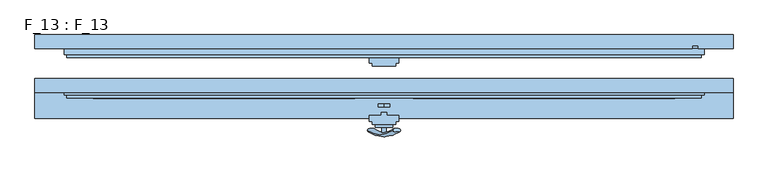
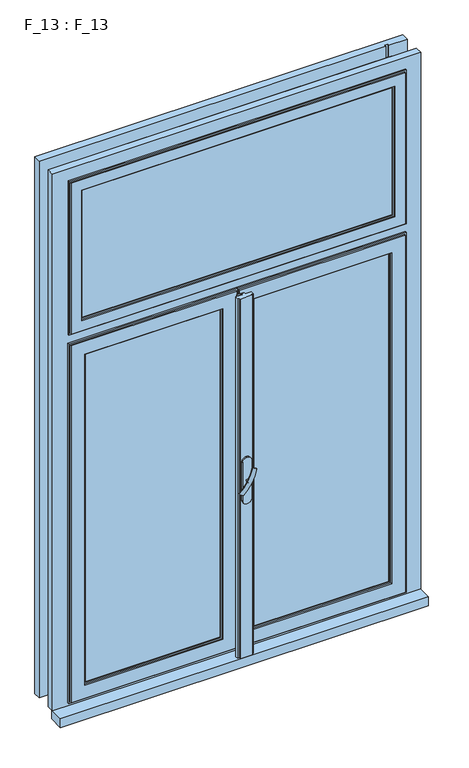
"""IFC4 building model written with IfcOpenShell, lengths in millimetres: window geometry, F_13 : F_13."""

from ifc_helpers import new_model, si_unit, point, frame, frame_2d, origin, place, context, project, spatial, polyline, circle_curve, ellipse_curve, trimmed, segment, composite_curve, outline, extrude, faceted_brep, source, transform, mapped, element, save
from ifc_brep_helpers import plane_surface, revolved_surface, advanced_brep


def f_13_f_13_1b7bb409(model_context):
    return source(origin(), model_context, "Body", "SolidModel", [
        advanced_brep(
        [(-28.5497704, -90.2287724, 1428.0503471), (-14.693364, -90.2287724, 1420.0503471), (14.693364, -90.2287724, 1502.9496529), (28.5497704, -90.2287724, 1494.9496529)],
        [
            (0, 1, ellipse_curve(frame((-21.6215672, -90.2287724, 1424.0503471), z_axis=(-0.46984631039295827, 0.3420201433256777, -0.8137976813493676), x_axis=(0.8660254037844349, 0.0, -0.5000000000000066)), 8.0, 3.5)),
            (1, 0, ellipse_curve(frame((-21.6215672, -90.2287724, 1424.0503471), z_axis=(-0.46984631039295827, 0.3420201433256777, -0.8137976813493676), x_axis=(0.8660254037844349, 0.0, -0.5000000000000066)), 8.0, 3.5)),
            (2, 3, ellipse_curve(frame((21.6215672, -90.2287724, 1498.9496529), z_axis=(0.46984631039296154, 0.3420201433256599, 0.8137976813493732), x_axis=(0.8660254037844355, 0.0, -0.5000000000000056)), 8.0, 3.5)),
            (3, 2, ellipse_curve(frame((21.6215672, -90.2287724, 1498.9496529), z_axis=(0.46984631039296154, 0.3420201433256599, 0.8137976813493732), x_axis=(0.8660254037844355, 0.0, -0.5000000000000056)), 8.0, 3.5)),
            (3, 1, circle_curve(frame((6.9282032, 28.580763, 1457.5), z_axis=(0.8660254037844353, 0.0, -0.500000000000006), x_axis=(-0.1710100716628409, -0.9396926207859051, -0.29619813272603046)), 126.4344667)),
            (0, 2, circle_curve(frame((-6.9282032, 28.580763, 1465.5), z_axis=(-0.8660254037844353, 0.0, 0.500000000000006), x_axis=(-0.1710100716628409, -0.9396926207859051, -0.29619813272603046)), 126.4344667)),
        ],
        [
            plane_surface(frame((40.0926994, -87.5471681, 1389.5466142), z_axis=(-0.4698463103929582, 0.34202014332567776, -0.8137976813493677), x_axis=(-0.8660254037844352, 0.0, 0.500000000000006))),
            plane_surface(frame((82.3598097, -87.5471681, 1462.7553967), z_axis=(0.4698463103929615, 0.34202014332565983, 0.8137976813493734), x_axis=(-0.8660254037844352, 0.0, 0.500000000000006))),
            revolved_surface(trimmed(ellipse_curve(frame((-21.6215672, -90.2287724, 1424.0503471), z_axis=(-0.46984631039295827, 0.3420201433256777, -0.8137976813493676), x_axis=(0.8660254037844349, 0.0, -0.5000000000000066)), 8.0, 3.5), [point((-28.5497704, -90.2287724, 1428.0503471))], [point((-14.693364, -90.2287724, 1420.0503471))], True, "CARTESIAN"), (61.2262546, 28.580763, 1426.1510055), (-0.8660254037844353, 0.0, 0.500000000000006)),
            revolved_surface(trimmed(ellipse_curve(frame((-21.6215672, -90.2287724, 1424.0503471), z_axis=(-0.46984631039295827, 0.3420201433256777, -0.8137976813493676), x_axis=(0.8660254037844349, 0.0, -0.5000000000000066)), 8.0, 3.5), [point((-14.693364, -90.2287724, 1420.0503471))], [point((-28.5497704, -90.2287724, 1428.0503471))], True, "CARTESIAN"), (61.2262546, 28.580763, 1426.1510055), (-0.8660254037844353, 0.0, 0.500000000000006)),
        ],
        [
            (0, [[1, 2]]),
            (1, [[3, 4]]),
            (2, [[5, -1, 6, -4]]),
            (3, [[-6, -2, -5, -3]]),
        ],
    ),
        extrude(outline(composite_curve([segment(trimmed(circle_curve(frame_2d((1461.5, 0.0)), 3.5), [point((1461.5, -3.5))], [point((1461.5, 3.5))], False, "CARTESIAN"), True, "CONTINUOUS"), segment(trimmed(circle_curve(frame_2d((1461.5, 0.0)), 3.5), [point((1461.5, 3.5))], [point((1461.5, -3.5))], False, "CARTESIAN"), True, "CONTINUOUS")], self_intersect=False)), frame((0.0, -95.0, 0.0), z_axis=(0.0, 1.0, 0.0), x_axis=(0.0, 0.0, 1.0)), (0.0, 0.0, 1.0), 10.0),
        extrude(outline(composite_curve([segment(polyline([(1525.8020109, -15.0), (1395.8020109, -15.0)]), True, "CONTINUOUS"), segment(trimmed(circle_curve(frame_2d((1395.8020109, 0.0)), 15.0), [point((1395.8020109, -15.0))], [point((1395.8020109, 15.0))], False, "CARTESIAN"), True, "CONTINUOUS"), segment(polyline([(1395.8020109, 15.0), (1525.8020109, 15.0)]), True, "CONTINUOUS"), segment(trimmed(circle_curve(frame_2d((1525.8020109, 0.0)), 15.0), [point((1525.8020109, 15.0))], [point((1525.8020109, -15.0))], False, "CARTESIAN"), True, "CONTINUOUS")], self_intersect=False)), frame((0.0, -85.0, 0.0), z_axis=(0.0, 1.0, 0.0), x_axis=(0.0, 0.0, 1.0)), (0.0, 0.0, 1.0), 5.0),
        faceted_brep([(-0.5, 55.0, 2090.0), (-10.0, 55.0, 2090.0), (-10.0, 50.0, 2090.0), (-550.0, 50.0, 2090.0), (-550.0, 40.0, 2090.0), (0.0, 40.0, 2090.0), (0.0, 50.0, 2090.0), (-0.5, 50.0, 2090.0), (-0.5, 55.0, 850.0), (-0.5, 50.0, 850.0), (0.0, 50.0, 850.0), (0.0, 40.0, 850.0), (-550.0, 40.0, 850.0), (-550.0, 50.0, 850.0), (-10.0, 50.0, 850.0), (-10.0, 55.0, 850.0), (-10.0, 55.0, 860.0), (-540.0, 55.0, 860.0), (-540.0, 55.0, 2080.0), (-10.0, 55.0, 2080.0), (-50.0, 55.0, 900.0), (-50.0, 55.0, 2040.0), (-500.0, 55.0, 2040.0), (-500.0, 55.0, 900.0), (-10.0, 50.0, 2080.0), (-10.0, 50.0, 860.0), (-50.0, 50.0, 2040.0), (-50.0, 50.0, 900.0), (-55.0, 40.0, 2035.0), (-55.0, 50.0, 2035.0), (-55.0, 50.0, 905.0), (-55.0, 40.0, 905.0), (-50.0, 35.0, 2040.0), (-50.0, 40.0, 2040.0), (-50.0, 40.0, 900.0), (-50.0, 35.0, 900.0), (-5.0, 40.0, 2085.0), (-5.0, 35.0, 2085.0), (-5.0, 35.0, 855.0), (-5.0, 40.0, 855.0), (-500.0, 50.0, 900.0), (-495.0, 50.0, 905.0), (-495.0, 40.0, 905.0), (-500.0, 40.0, 900.0), (-500.0, 35.0, 900.0), (-545.0, 35.0, 855.0), (-545.0, 40.0, 855.0), (-540.0, 50.0, 860.0), (-500.0, 50.0, 2040.0), (-495.0, 50.0, 2035.0), (-495.0, 40.0, 2035.0), (-500.0, 40.0, 2040.0), (-500.0, 35.0, 2040.0), (-545.0, 35.0, 2085.0), (-545.0, 40.0, 2085.0), (-540.0, 50.0, 2080.0)], [[[0, 1, 2, 3, 4, 5, 6, 7]], [[8, 9, 10, 11, 12, 13, 14, 15]], [[1, 0, 8, 15, 16, 17, 18, 19], [20, 21, 22, 23]], [[2, 1, 19, 24]], [[15, 14, 25, 16]], [[0, 7, 9, 8]], [[26, 21, 20, 27]], [[28, 29, 30, 31]], [[32, 33, 34, 35]], [[36, 37, 38, 39]], [[6, 5, 11, 10]], [[27, 20, 23, 40]], [[31, 30, 41, 42]], [[35, 34, 43, 44]], [[39, 38, 45, 46]], [[25, 47, 17, 16]], [[40, 23, 22, 48]], [[42, 41, 49, 50]], [[44, 43, 51, 52]], [[46, 45, 53, 54]], [[13, 12, 4, 3]], [[17, 47, 55, 18]], [[21, 26, 48, 22]], [[26, 27, 40, 48], [30, 29, 49, 41]], [[29, 28, 50, 49]], [[34, 33, 51, 43], [28, 31, 42, 50]], [[33, 32, 52, 51]], [[38, 37, 53, 45], [32, 35, 44, 52]], [[37, 36, 54, 53]], [[11, 5, 4, 12], [36, 39, 46, 54]], [[6, 10, 9, 7]], [[47, 25, 14, 13, 3, 2, 24, 55]], [[18, 55, 24, 19]]]),
        faceted_brep([(0.5, 55.0, 2090.0), (0.5, 50.0, 2090.0), (0.0, 50.0, 2090.0), (0.0, 40.0, 2090.0), (550.0, 40.0, 2090.0), (550.0, 50.0, 2090.0), (10.0, 50.0, 2090.0), (10.0, 55.0, 2090.0), (0.5, 55.0, 850.0), (10.0, 55.0, 850.0), (10.0, 50.0, 850.0), (550.0, 50.0, 850.0), (550.0, 40.0, 850.0), (0.0, 40.0, 850.0), (0.0, 50.0, 850.0), (0.5, 50.0, 850.0), (10.0, 55.0, 2080.0), (540.0, 55.0, 2080.0), (540.0, 55.0, 860.0), (10.0, 55.0, 860.0), (50.0, 55.0, 2040.0), (50.0, 55.0, 900.0), (500.0, 55.0, 900.0), (500.0, 55.0, 2040.0), (10.0, 50.0, 2080.0), (10.0, 50.0, 860.0), (50.0, 50.0, 2040.0), (50.0, 50.0, 900.0), (55.0, 50.0, 2035.0), (55.0, 40.0, 2035.0), (55.0, 40.0, 905.0), (55.0, 50.0, 905.0), (50.0, 40.0, 2040.0), (50.0, 35.0, 2040.0), (50.0, 35.0, 900.0), (50.0, 40.0, 900.0), (5.0, 35.0, 2085.0), (5.0, 40.0, 2085.0), (5.0, 40.0, 855.0), (5.0, 35.0, 855.0), (500.0, 50.0, 900.0), (495.0, 40.0, 905.0), (495.0, 50.0, 905.0), (500.0, 35.0, 900.0), (500.0, 40.0, 900.0), (545.0, 40.0, 855.0), (545.0, 35.0, 855.0), (540.0, 50.0, 860.0), (500.0, 50.0, 2040.0), (495.0, 40.0, 2035.0), (495.0, 50.0, 2035.0), (500.0, 35.0, 2040.0), (500.0, 40.0, 2040.0), (545.0, 40.0, 2085.0), (545.0, 35.0, 2085.0), (540.0, 50.0, 2080.0)], [[[0, 1, 2, 3, 4, 5, 6, 7]], [[8, 9, 10, 11, 12, 13, 14, 15]], [[0, 7, 16, 17, 18, 19, 9, 8], [20, 21, 22, 23]], [[7, 6, 24, 16]], [[10, 9, 19, 25]], [[1, 0, 8, 15]], [[20, 26, 27, 21]], [[28, 29, 30, 31]], [[32, 33, 34, 35]], [[36, 37, 38, 39]], [[3, 2, 14, 13]], [[21, 27, 40, 22]], [[31, 30, 41, 42]], [[35, 34, 43, 44]], [[39, 38, 45, 46]], [[19, 18, 47, 25]], [[22, 40, 48, 23]], [[42, 41, 49, 50]], [[44, 43, 51, 52]], [[46, 45, 53, 54]], [[12, 11, 5, 4]], [[47, 18, 17, 55]], [[26, 20, 23, 48]], [[27, 26, 48, 40], [28, 31, 42, 50]], [[29, 28, 50, 49]], [[32, 35, 44, 52], [30, 29, 49, 41]], [[33, 32, 52, 51]], [[36, 39, 46, 54], [34, 33, 51, 43]], [[37, 36, 54, 53]], [[3, 13, 12, 4], [38, 37, 53, 45]], [[14, 2, 1, 15]], [[25, 47, 55, 24, 6, 5, 11, 10]], [[55, 17, 16, 24]]]),
        extrude(outline(polyline([(-55.0, 43.0), (-495.0, 43.0), (-495.0, 47.0), (-55.0, 47.0), (-55.0, 43.0)])), frame((0.0, 0.0, 905.0), z_axis=(0.0, 0.0, 1.0), x_axis=(1.0, 0.0, 0.0)), (0.0, 0.0, 1.0), 1130.0),
        extrude(outline(polyline([(495.0, 43.0), (55.0, 43.0), (55.0, 47.0), (495.0, 47.0), (495.0, 43.0)])), frame((0.0, 0.0, 905.0), z_axis=(0.0, 0.0, 1.0), x_axis=(1.0, 0.0, 0.0)), (0.0, 0.0, 1.0), 1130.0),
        extrude(outline(polyline([(5.0, 40.0), (5.0, 35.0), (25.0, 35.0), (25.0, 25.0), (20.0, 25.0), (20.0, 20.0), (-20.0, 20.0), (-20.0, 25.0), (-25.0, 25.0), (-25.0, 35.0), (-5.0, 35.0), (-5.0, 40.0), (5.0, 40.0)])), frame((0.0, 0.0, 850.0), z_axis=(0.0, 0.0, 1.0), x_axis=(1.0, 0.0, 0.0)), (0.0, 0.0, 1.0), 1240.0),
        faceted_brep([(-50.0, -20.0, 2040.0), (-50.0, -15.0, 2040.0), (-50.0, -15.0, 900.0), (-50.0, -20.0, 900.0), (-55.0, -30.0, 2035.0), (-55.0, -20.0, 2035.0), (-55.0, -20.0, 905.0), (-55.0, -30.0, 905.0), (-50.0, -35.0, 2040.0), (-50.0, -30.0, 2040.0), (-50.0, -30.0, 900.0), (-50.0, -35.0, 900.0), (-5.0, -30.0, 2085.0), (-5.0, -35.0, 2085.0), (-5.0, -35.0, 855.0), (-5.0, -30.0, 855.0), (0.0, -20.0, 2090.0), (0.0, -30.0, 2090.0), (0.0, -30.0, 850.0), (0.0, -20.0, 850.0), (-500.0, -15.0, 900.0), (-500.0, -20.0, 900.0), (-495.0, -20.0, 905.0), (-495.0, -30.0, 905.0), (-500.0, -30.0, 900.0), (-500.0, -35.0, 900.0), (-545.0, -35.0, 855.0), (-545.0, -30.0, 855.0), (-550.0, -30.0, 850.0), (-550.0, -20.0, 850.0), (-10.0, -15.0, 860.0), (-10.0, -20.0, 860.0), (-540.0, -20.0, 860.0), (-540.0, -15.0, 860.0), (-500.0, -15.0, 2040.0), (-500.0, -20.0, 2040.0), (-495.0, -20.0, 2035.0), (-495.0, -30.0, 2035.0), (-500.0, -30.0, 2040.0), (-500.0, -35.0, 2040.0), (-545.0, -35.0, 2085.0), (-545.0, -30.0, 2085.0), (-550.0, -30.0, 2090.0), (-550.0, -20.0, 2090.0), (-540.0, -20.0, 2080.0), (-540.0, -15.0, 2080.0), (-10.0, -15.0, 2080.0), (-10.0, -20.0, 2080.0)], [[[0, 1, 2, 3]], [[4, 5, 6, 7]], [[8, 9, 10, 11]], [[12, 13, 14, 15]], [[16, 17, 18, 19]], [[3, 2, 20, 21]], [[7, 6, 22, 23]], [[11, 10, 24, 25]], [[15, 14, 26, 27]], [[19, 18, 28, 29]], [[30, 31, 32, 33]], [[21, 20, 34, 35]], [[23, 22, 36, 37]], [[25, 24, 38, 39]], [[27, 26, 40, 41]], [[29, 28, 42, 43]], [[33, 32, 44, 45]], [[46, 30, 33, 45], [2, 1, 34, 20]], [[1, 0, 35, 34]], [[0, 3, 21, 35], [6, 5, 36, 22]], [[5, 4, 37, 36]], [[10, 9, 38, 24], [4, 7, 23, 37]], [[9, 8, 39, 38]], [[14, 13, 40, 26], [8, 11, 25, 39]], [[13, 12, 41, 40]], [[18, 17, 42, 28], [12, 15, 27, 41]], [[17, 16, 43, 42]], [[16, 19, 29, 43], [31, 47, 44, 32]], [[47, 46, 45, 44]], [[46, 47, 31, 30]]]),
        faceted_brep([(-10.0, -50.0, 2080.0), (-10.0, -45.0, 2080.0), (-10.0, -45.0, 850.0), (-10.0, -50.0, 850.0), (-0.5, -45.0, 2080.0), (-0.5, -50.0, 2080.0), (-0.5, -50.0, 850.0), (-0.5, -45.0, 850.0)], [[[0, 1, 2, 3]], [[4, 5, 6, 7]], [[4, 1, 0, 5]], [[7, 6, 3, 2]], [[1, 4, 7, 2]], [[5, 0, 3, 6]]]),
        extrude(outline(polyline([(-55.0, -27.0), (-495.0, -27.0), (-495.0, -23.0), (-55.0, -23.0), (-55.0, -27.0)])), frame((0.0, 0.0, 905.0), z_axis=(0.0, 0.0, 1.0), x_axis=(1.0, 0.0, 0.0)), (0.0, 0.0, 1.0), 1130.0),
        extrude(outline(polyline([(495.0, -27.0), (55.0, -27.0), (55.0, -23.0), (495.0, -23.0), (495.0, -27.0)])), frame((0.0, 0.0, 905.0), z_axis=(0.0, 0.0, 1.0), x_axis=(1.0, 0.0, 0.0)), (0.0, 0.0, 1.0), 1130.0),
        faceted_brep([(5.0, -60.0, 2090.0), (-5.0, -60.0, 2090.0), (-5.0, -65.0, 2090.0), (-25.0, -65.0, 2090.0), (-25.0, -75.0, 2090.0), (-20.0, -75.0, 2090.0), (-20.0, -80.0, 2090.0), (20.0, -80.0, 2090.0), (20.0, -75.0, 2090.0), (25.0, -75.0, 2090.0), (25.0, -65.0, 2090.0), (5.0, -65.0, 2090.0), (5.0, -60.0, 850.0), (5.0, -65.0, 850.0), (25.0, -65.0, 850.0), (25.0, -75.0, 850.0), (20.0, -75.0, 850.0), (20.0, -80.0, 850.0), (-20.0, -80.0, 850.0), (-20.0, -75.0, 850.0), (-25.0, -75.0, 850.0), (-25.0, -65.0, 850.0), (-5.0, -65.0, 850.0), (-5.0, -60.0, 850.0)], [[[0, 1, 2, 3, 4, 5, 6, 7, 8, 9, 10, 11]], [[12, 13, 14, 15, 16, 17, 18, 19, 20, 21, 22, 23]], [[1, 0, 12, 23]], [[2, 1, 23, 22]], [[3, 2, 22, 21]], [[4, 3, 21, 20]], [[5, 4, 20, 19]], [[6, 5, 19, 18]], [[7, 6, 18, 17]], [[8, 7, 17, 16]], [[9, 8, 16, 15]], [[10, 9, 15, 14]], [[11, 10, 14, 13]], [[0, 11, 13, 12]]]),
        faceted_brep([(50.0, -15.0, 2040.0), (50.0, -20.0, 2040.0), (50.0, -20.0, 900.0), (50.0, -15.0, 900.0), (55.0, -20.0, 2035.0), (55.0, -30.0, 2035.0), (55.0, -30.0, 905.0), (55.0, -20.0, 905.0), (50.0, -30.0, 2040.0), (50.0, -35.0, 2040.0), (50.0, -35.0, 900.0), (50.0, -30.0, 900.0), (0.0, -30.0, 2090.0), (0.0, -20.0, 2090.0), (0.0, -20.0, 850.0), (0.0, -30.0, 850.0), (500.0, -20.0, 900.0), (500.0, -15.0, 900.0), (495.0, -30.0, 905.0), (495.0, -20.0, 905.0), (500.0, -35.0, 900.0), (500.0, -30.0, 900.0), (5.0, -35.0, 855.0), (5.0, -30.0, 855.0), (545.0, -30.0, 855.0), (545.0, -35.0, 855.0), (10.0, -20.0, 860.0), (10.0, -15.0, 860.0), (540.0, -15.0, 860.0), (540.0, -20.0, 860.0), (500.0, -20.0, 2040.0), (500.0, -15.0, 2040.0), (495.0, -30.0, 2035.0), (495.0, -20.0, 2035.0), (500.0, -35.0, 2040.0), (500.0, -30.0, 2040.0), (545.0, -30.0, 2085.0), (545.0, -35.0, 2085.0), (550.0, -30.0, 850.0), (550.0, -20.0, 850.0), (550.0, -20.0, 2090.0), (550.0, -30.0, 2090.0), (540.0, -15.0, 2080.0), (540.0, -20.0, 2080.0), (10.0, -15.0, 2080.0), (5.0, -35.0, 2085.0), (5.0, -30.0, 2085.0), (10.0, -20.0, 2080.0)], [[[0, 1, 2, 3]], [[4, 5, 6, 7]], [[8, 9, 10, 11]], [[12, 13, 14, 15]], [[3, 2, 16, 17]], [[7, 6, 18, 19]], [[11, 10, 20, 21]], [[22, 23, 24, 25]], [[26, 27, 28, 29]], [[17, 16, 30, 31]], [[19, 18, 32, 33]], [[21, 20, 34, 35]], [[25, 24, 36, 37]], [[38, 39, 40, 41]], [[29, 28, 42, 43]], [[27, 44, 42, 28], [0, 3, 17, 31]], [[1, 0, 31, 30]], [[2, 1, 30, 16], [4, 7, 19, 33]], [[5, 4, 33, 32]], [[8, 11, 21, 35], [6, 5, 32, 18]], [[9, 8, 35, 34]], [[45, 22, 25, 37], [10, 9, 34, 20]], [[46, 45, 37, 36]], [[12, 15, 38, 41], [23, 46, 36, 24]], [[14, 13, 40, 39], [47, 26, 29, 43]], [[44, 47, 43, 42]], [[45, 46, 23, 22]], [[47, 44, 27, 26]], [[15, 14, 39, 38]], [[13, 12, 41, 40]]]),
        faceted_brep([(10.0, -45.0, 2080.0), (10.0, -50.0, 2080.0), (10.0, -50.0, 850.0), (10.0, -45.0, 850.0), (0.5, -50.0, 2080.0), (0.5, -45.0, 2080.0), (0.5, -45.0, 850.0), (0.5, -50.0, 850.0)], [[[0, 1, 2, 3]], [[4, 5, 6, 7]], [[5, 4, 1, 0]], [[6, 3, 2, 7]], [[5, 0, 3, 6]], [[1, 4, 7, 2]]]),
        extrude(outline(polyline([(600.0, -70.0), (-600.0, -70.0), (-600.0, -20.0), (600.0, -20.0), (600.0, -70.0)])), frame((0.0, 0.0, 810.0), z_axis=(0.0, 0.0, 1.0), x_axis=(1.0, 0.0, 0.0)), (0.0, 0.0, 1.0), 30.0),
        faceted_brep([(-600.0, -25.0, 2690.0), (-600.0, -1.0, 2690.0), (-600.0, -1.0, 840.0), (-600.0, -25.0, 840.0), (600.0, -1.0, 2690.0), (600.0, -1.0, 840.0), (540.0, -1.0, 840.0), (540.0, -1.0, 810.0), (-540.0, -1.0, 810.0), (-540.0, -1.0, 840.0), (-530.0, -1.0, 2630.0), (-530.0, -1.0, 2130.0), (530.0, -1.0, 2130.0), (530.0, -1.0, 2630.0), (-530.0, -1.0, 2070.0), (-530.0, -1.0, 870.0), (530.0, -1.0, 870.0), (530.0, -1.0, 2070.0), (-540.0, -25.0, 840.0), (-540.0, -20.0, 840.0), (-540.0, -25.0, 810.0), (540.0, -25.0, 810.0), (540.0, -25.0, 840.0), (600.0, -25.0, 840.0), (600.0, -25.0, 2690.0), (-540.0, -25.0, 2640.0), (540.0, -25.0, 2640.0), (540.0, -25.0, 2120.0), (-540.0, -25.0, 2120.0), (540.0, -25.0, 2080.0), (540.0, -25.0, 860.0), (-540.0, -25.0, 860.0), (-540.0, -25.0, 2080.0), (540.0, -20.0, 840.0), (-530.0, -20.0, 2070.0), (-530.0, -20.0, 870.0), (-530.0, -20.0, 2630.0), (-530.0, -20.0, 2130.0), (530.0, -20.0, 2130.0), (530.0, -20.0, 2630.0), (530.0, -20.0, 2070.0), (530.0, -20.0, 870.0), (540.0, -20.0, 2080.0), (-540.0, -20.0, 2080.0), (-540.0, -20.0, 860.0), (540.0, -20.0, 860.0), (-540.0, -20.0, 2640.0), (-540.0, -20.0, 2120.0), (540.0, -20.0, 2120.0), (540.0, -20.0, 2640.0)], [[[0, 1, 2, 3]], [[2, 1, 4, 5, 6, 7, 8, 9], [10, 11, 12, 13], [14, 15, 16, 17]], [[18, 3, 2, 9, 19]], [[3, 18, 20, 21, 22, 23, 24, 0], [25, 26, 27, 28], [29, 30, 31, 32]], [[4, 24, 23, 5]], [[5, 23, 22, 33, 6]], [[21, 7, 6, 33, 22]], [[20, 8, 7, 21]], [[8, 20, 18, 19, 9]], [[14, 34, 35, 15]], [[10, 36, 37, 11]], [[11, 37, 38, 12]], [[13, 12, 38, 39]], [[40, 17, 16, 41]], [[35, 41, 16, 15]], [[34, 14, 17, 40]], [[42, 43, 44, 45], [34, 40, 41, 35]], [[46, 47, 48, 49], [37, 36, 39, 38]], [[31, 30, 45, 44]], [[27, 26, 49, 48]], [[29, 42, 45, 30]], [[29, 32, 43, 42]], [[46, 25, 28, 47]], [[44, 43, 32, 31]], [[28, 27, 48, 47]], [[1, 0, 24, 4]], [[36, 10, 13, 39]], [[26, 25, 46, 49]]]),
        faceted_brep([(-600.0, 74.0, 840.0), (600.0, 74.0, 840.0), (600.0, 50.0, 840.0), (540.0, 50.0, 840.0), (540.0, 55.0, 840.0), (530.0, 55.0, 840.0), (530.0, 50.0, 840.0), (-530.0, 50.0, 840.0), (-530.0, 55.0, 840.0), (-540.0, 55.0, 840.0), (-540.0, 50.0, 840.0), (-600.0, 50.0, 840.0), (-600.0, 50.0, 2690.0), (-600.0, 74.0, 2690.0), (-540.0, 50.0, 2080.0), (540.0, 50.0, 2080.0), (600.0, 50.0, 2690.0), (540.0, 50.0, 2690.0), (540.0, 50.0, 2120.0), (-540.0, 50.0, 2120.0), (-540.0, 50.0, 2640.0), (530.0, 50.0, 2640.0), (530.0, 50.0, 2690.0), (600.0, 74.0, 2690.0), (530.0, 74.0, 2070.0), (-530.0, 74.0, 2070.0), (-530.0, 74.0, 870.0), (530.0, 74.0, 870.0), (530.0, 74.0, 2630.0), (-530.0, 74.0, 2630.0), (-530.0, 74.0, 2130.0), (530.0, 74.0, 2130.0), (-530.0, 55.0, 2630.0), (-530.0, 55.0, 2130.0), (-530.0, 55.0, 2070.0), (-530.0, 55.0, 870.0), (530.0, 55.0, 2130.0), (530.0, 55.0, 2630.0), (530.0, 55.0, 2070.0), (530.0, 55.0, 870.0), (540.0, 55.0, 2080.0), (-540.0, 55.0, 2080.0), (-530.0, 55.0, 860.0), (530.0, 55.0, 860.0), (540.0, 55.0, 2690.0), (530.0, 55.0, 2690.0), (530.0, 55.0, 2640.0), (-540.0, 55.0, 2640.0), (-540.0, 55.0, 2120.0), (540.0, 55.0, 2120.0), (-530.0, 50.0, 860.0), (530.0, 50.0, 860.0)], [[[0, 1, 2, 3, 4, 5, 6, 7, 8, 9, 10, 11]], [[0, 11, 12, 13]], [[12, 11, 10, 14, 15, 3, 2, 16, 17, 18, 19, 20, 21, 22]], [[0, 13, 23, 1], [24, 25, 26, 27], [28, 29, 30, 31]], [[30, 29, 32, 33]], [[26, 25, 34, 35]], [[36, 31, 30, 33]], [[28, 31, 36, 37]], [[38, 24, 27, 39]], [[24, 38, 34, 25]], [[27, 26, 35, 39]], [[23, 16, 2, 1]], [[5, 4, 40, 41, 9, 8, 42, 43], [39, 35, 34, 38]], [[44, 45, 46, 47, 48, 49], [36, 33, 32, 37]], [[10, 9, 41, 14]], [[20, 19, 48, 47]], [[18, 49, 48, 19]], [[4, 3, 15, 40]], [[17, 44, 49, 18]], [[41, 40, 15, 14]], [[7, 50, 42, 8]], [[42, 50, 51, 43]], [[43, 51, 6, 5]], [[50, 7, 6, 51]], [[23, 13, 12, 22, 45, 44, 17, 16]], [[22, 21, 46, 45]], [[47, 46, 21, 20]], [[28, 37, 32, 29]]]),
        extrude(outline(polyline([(505.0, 43.0), (-505.0, 43.0), (-505.0, 47.0), (505.0, 47.0), (505.0, 43.0)])), frame((0.0, 0.0, 2165.0), z_axis=(0.0, 0.0, 1.0), x_axis=(1.0, 0.0, 0.0)), (0.0, 0.0, 1.0), 440.0),
        faceted_brep([(510.0, 50.0, 2610.0), (510.0, 55.0, 2610.0), (510.0, 55.0, 2160.0), (510.0, 50.0, 2160.0), (540.0, 55.0, 2130.0), (-540.0, 55.0, 2130.0), (-540.0, 55.0, 2640.0), (540.0, 55.0, 2640.0), (-510.0, 55.0, 2610.0), (-510.0, 55.0, 2160.0), (-510.0, 50.0, 2160.0), (-510.0, 50.0, 2610.0), (505.0, 50.0, 2605.0), (-505.0, 50.0, 2605.0), (-505.0, 50.0, 2165.0), (505.0, 50.0, 2165.0), (505.0, 40.0, 2605.0), (505.0, 40.0, 2165.0), (-505.0, 40.0, 2165.0), (510.0, 40.0, 2610.0), (-510.0, 40.0, 2610.0), (-510.0, 40.0, 2160.0), (510.0, 40.0, 2160.0), (-505.0, 40.0, 2605.0), (510.0, 35.0, 2610.0), (510.0, 35.0, 2160.0), (-510.0, 35.0, 2160.0), (545.0, 35.0, 2645.0), (-545.0, 35.0, 2645.0), (-545.0, 35.0, 2125.0), (545.0, 35.0, 2125.0), (-510.0, 35.0, 2610.0), (550.0, 50.0, 2650.0), (550.0, 40.0, 2650.0), (550.0, 40.0, 2120.0), (550.0, 50.0, 2120.0), (-550.0, 40.0, 2650.0), (-550.0, 40.0, 2120.0), (545.0, 40.0, 2125.0), (-545.0, 40.0, 2125.0), (-545.0, 40.0, 2645.0), (545.0, 40.0, 2645.0), (-550.0, 50.0, 2120.0), (-550.0, 50.0, 2650.0), (540.0, 50.0, 2640.0), (-540.0, 50.0, 2640.0), (-540.0, 50.0, 2130.0), (540.0, 50.0, 2130.0)], [[[0, 1, 2, 3]], [[4, 5, 6, 7], [1, 8, 9, 2]], [[3, 2, 9, 10]], [[3, 10, 11, 0], [12, 13, 14, 15]], [[16, 12, 15, 17]], [[17, 15, 14, 18]], [[19, 20, 21, 22], [17, 18, 23, 16]], [[24, 19, 22, 25]], [[25, 22, 21, 26]], [[27, 28, 29, 30], [25, 26, 31, 24]], [[32, 33, 34, 35]], [[33, 36, 37, 34], [38, 39, 40, 41]], [[35, 34, 37, 42]], [[35, 42, 43, 32], [44, 45, 46, 47]], [[7, 44, 47, 4]], [[4, 47, 46, 5]], [[10, 9, 8, 11]], [[18, 14, 13, 23]], [[26, 21, 20, 31]], [[42, 37, 36, 43]], [[5, 46, 45, 6]], [[39, 29, 28, 40]], [[38, 30, 29, 39]], [[41, 27, 30, 38]], [[11, 8, 1, 0]], [[23, 13, 12, 16]], [[31, 20, 19, 24]], [[43, 36, 33, 32]], [[6, 45, 44, 7]], [[40, 28, 27, 41]]]),
        extrude(outline(polyline([(505.0, -27.0), (-505.0, -27.0), (-505.0, -23.0), (505.0, -23.0), (505.0, -27.0)])), frame((0.0, 0.0, 2165.0), z_axis=(0.0, 0.0, 1.0), x_axis=(1.0, 0.0, 0.0)), (0.0, 0.0, 1.0), 440.0),
        faceted_brep([(510.0, -20.0, 2610.0), (510.0, -15.0, 2610.0), (510.0, -15.0, 2160.0), (510.0, -20.0, 2160.0), (540.0, -15.0, 2130.0), (-540.0, -15.0, 2130.0), (-540.0, -15.0, 2640.0), (540.0, -15.0, 2640.0), (-510.0, -15.0, 2610.0), (-510.0, -15.0, 2160.0), (-510.0, -20.0, 2160.0), (-510.0, -20.0, 2610.0), (505.0, -20.0, 2605.0), (-505.0, -20.0, 2605.0), (-505.0, -20.0, 2165.0), (505.0, -20.0, 2165.0), (505.0, -30.0, 2605.0), (505.0, -30.0, 2165.0), (-505.0, -30.0, 2165.0), (510.0, -30.0, 2610.0), (-510.0, -30.0, 2610.0), (-510.0, -30.0, 2160.0), (510.0, -30.0, 2160.0), (-505.0, -30.0, 2605.0), (510.0, -35.0, 2610.0), (510.0, -35.0, 2160.0), (-510.0, -35.0, 2160.0), (545.0, -35.0, 2645.0), (-545.0, -35.0, 2645.0), (-545.0, -35.0, 2125.0), (545.0, -35.0, 2125.0), (-510.0, -35.0, 2610.0), (550.0, -20.0, 2650.0), (550.0, -30.0, 2650.0), (550.0, -30.0, 2120.0), (550.0, -20.0, 2120.0), (-550.0, -30.0, 2650.0), (-550.0, -30.0, 2120.0), (545.0, -30.0, 2125.0), (-545.0, -30.0, 2125.0), (-545.0, -30.0, 2645.0), (545.0, -30.0, 2645.0), (-550.0, -20.0, 2120.0), (-550.0, -20.0, 2650.0), (540.0, -20.0, 2640.0), (-540.0, -20.0, 2640.0), (-540.0, -20.0, 2130.0), (540.0, -20.0, 2130.0)], [[[0, 1, 2, 3]], [[4, 5, 6, 7], [1, 8, 9, 2]], [[3, 2, 9, 10]], [[3, 10, 11, 0], [12, 13, 14, 15]], [[16, 12, 15, 17]], [[17, 15, 14, 18]], [[19, 20, 21, 22], [17, 18, 23, 16]], [[24, 19, 22, 25]], [[25, 22, 21, 26]], [[27, 28, 29, 30], [25, 26, 31, 24]], [[32, 33, 34, 35]], [[33, 36, 37, 34], [38, 39, 40, 41]], [[35, 34, 37, 42]], [[35, 42, 43, 32], [44, 45, 46, 47]], [[7, 44, 47, 4]], [[4, 47, 46, 5]], [[10, 9, 8, 11]], [[18, 14, 13, 23]], [[26, 21, 20, 31]], [[42, 37, 36, 43]], [[5, 46, 45, 6]], [[39, 29, 28, 40]], [[38, 30, 29, 39]], [[41, 27, 30, 38]], [[11, 8, 1, 0]], [[23, 13, 12, 16]], [[31, 20, 19, 24]], [[43, 36, 33, 32]], [[6, 45, 44, 7]], [[40, 28, 27, 41]]]),
    ])


if __name__ == "__main__":
    model = new_model("IFC4")
    model_context = context("Model", 3, world=origin())
    ifc_project = project(units=[si_unit("LENGTHUNIT", "METRE", prefix="MILLI")], contexts=[model_context])
    site = spatial("IfcSite", under=ifc_project)
    building = spatial("IfcBuilding", under=site)
    placement = place(None, origin())
    f_13_f_13_shape = f_13_f_13_1b7bb409(model_context)
    element("IfcWindow", 1, ObjectType="F_13 : F_13", at=placement, inside=building, context=model_context, shape_type="MappedRepresentation", body=[
        mapped(f_13_f_13_shape, transform((0.0, 0.0, 0.0), x_axis=(1.0, 0.0, 0.0), y_axis=(0.0, 1.0, 0.0), z_axis=(0.0, 0.0, 1.0))),
    ])
    save(model, "model.ifc")
